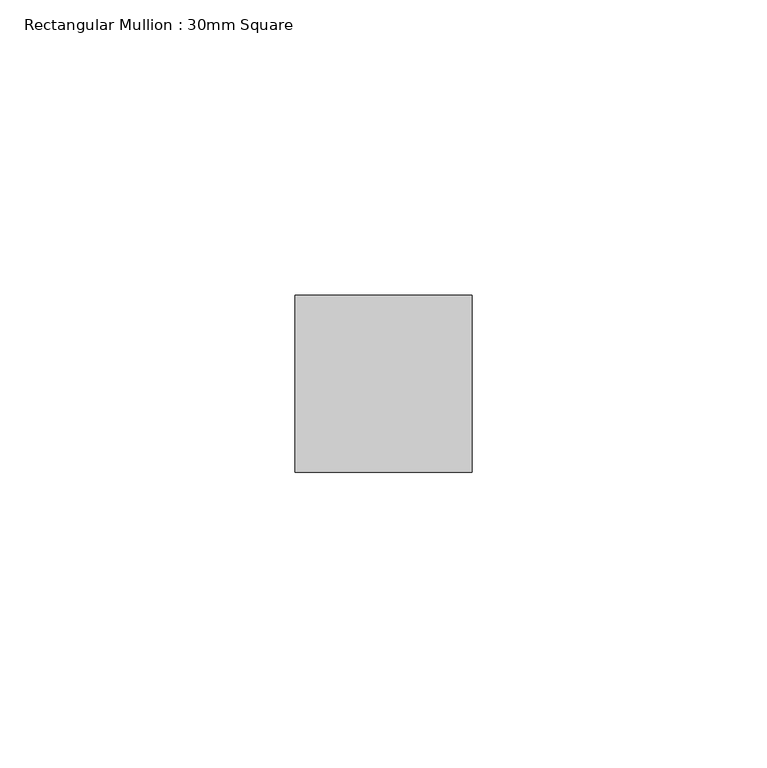
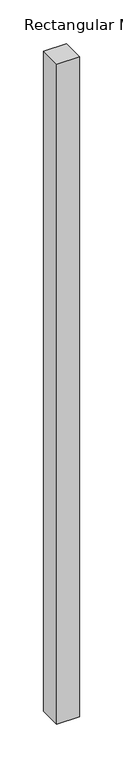
"""IFC4 building model written with IfcOpenShell, lengths in millimetres: member geometry, Rectangular Mullion : 30mm Square."""

from ifc_helpers import new_model, si_unit, frame, origin, place, context, project, spatial, polyline, outline, extrude, source, transform, mapped, element, save


def rectangular_mullion_30mm_square_36cc9959(model_context):
    return source(origin(), model_context, "Body", "SweptSolid", [
        extrude(outline(polyline([(15.0, 15.0), (15.0, -15.0), (-15.0, -15.0), (-15.0, 15.0), (15.0, 15.0)])), frame((0.0, 0.0, -920.0), z_axis=(0.0, 0.0, 1.0), x_axis=(1.0, 0.0, 0.0)), (0.0, 0.0, 1.0), 920.0),
    ])


if __name__ == "__main__":
    model = new_model("IFC4")
    model_context = context("Model", 3, world=origin())
    ifc_project = project(units=[si_unit("LENGTHUNIT", "METRE", prefix="MILLI")], contexts=[model_context])
    site = spatial("IfcSite", under=ifc_project)
    building = spatial("IfcBuilding", under=site)
    placement = place(None, origin())
    rectangular_mullion_30mm_square_shape = rectangular_mullion_30mm_square_36cc9959(model_context)
    element("IfcMember", 1, ObjectType="Rectangular Mullion : 30mm Square", at=placement, inside=building, context=model_context, shape_type="MappedRepresentation", body=[
        mapped(rectangular_mullion_30mm_square_shape, transform((0.0, 0.0, 0.0), x_axis=(1.0, 0.0, 0.0), y_axis=(0.0, 1.0, 0.0), z_axis=(0.0, 0.0, 1.0))),
    ])
    save(model, "model.ifc")
